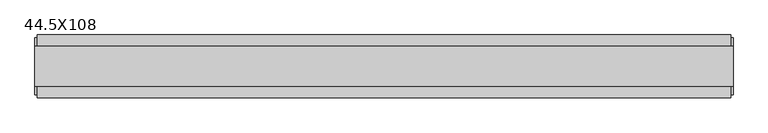
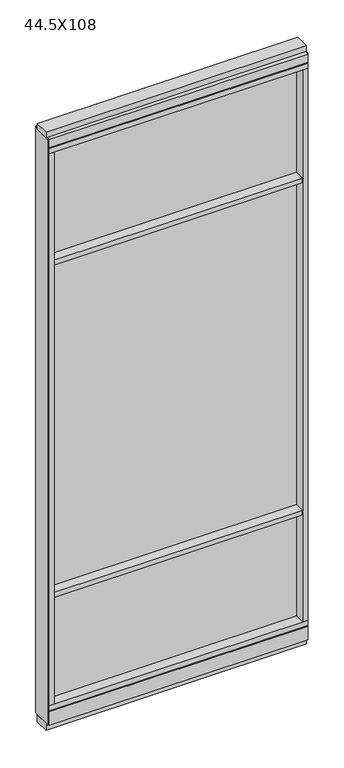
"""IFC4 building model written with IfcOpenShell, lengths in millimetres: furniture geometry, 44.5X108."""

from ifc_helpers import new_model, si_unit, frame, origin, origin_with_axes, place, context, project, spatial, polyline, outline, extrude, source, transform, mapped, element, save


def furniture_44_5x108_1f03fba5(model_context):
    return source(origin(), model_context, "Body", "SweptSolid", [
        extrude(outline(polyline([(-599.0245229, 0.5622784), (478.9514771, 0.5622784), (478.9514771, -9.5977216), (-599.0245229, -9.5977216), (-599.0245229, 0.5622784)])), frame((0.0, 0.0, 2155.825), z_axis=(0.0, 0.0, 1.0), x_axis=(1.0, 0.0, 0.0)), (0.0, 0.0, 1.0), 498.475),
        extrude(outline(polyline([(-599.0245229, 0.5622784), (478.9514771, 0.5622784), (478.9514771, -9.5977216), (-599.0245229, -9.5977216), (-599.0245229, 0.5622784)])), frame((0.0, 0.0, 631.825), z_axis=(0.0, 0.0, 1.0), x_axis=(1.0, 0.0, 0.0)), (0.0, 0.0, 1.0), 1501.775),
        extrude(outline(polyline([(-599.0245229, -52.3332216), (-599.0245229, 43.2977784), (478.9514771, 43.2977784), (478.9514771, -52.3332216), (-599.0245229, -52.3332216)])), frame((0.0, 0.0, 2133.6), z_axis=(0.0, 0.0, 1.0), x_axis=(1.0, 0.0, 0.0)), (0.0, 0.0, 1.0), 22.225),
        extrude(outline(polyline([(-599.0245229, -52.3332216), (-599.0245229, 43.2977784), (478.9514771, 43.2977784), (478.9514771, -52.3332216), (-599.0245229, -52.3332216)])), frame((0.0, 0.0, 609.6), z_axis=(0.0, 0.0, 1.0), x_axis=(1.0, 0.0, 0.0)), (0.0, 0.0, 1.0), 22.225),
        extrude(outline(polyline([(478.9514771, -9.5977216), (-599.0245229, -9.5977216), (-599.0245229, 0.5622784), (478.9514771, 0.5622784), (478.9514771, -9.5977216)])), frame((0.0, 0.0, 120.523), z_axis=(0.0, 0.0, 1.0), x_axis=(1.0, 0.0, 0.0)), (0.0, 0.0, 1.0), 489.077),
        extrude(outline(polyline([(-55.3177216, 93.345), (-50.3647216, 93.345), (-50.3647216, 98.298), (41.3292784, 98.298), (41.3292784, 93.345), (46.2822784, 93.345), (46.2822784, 31.75), (-55.3177216, 31.75), (-55.3177216, 93.345)])), frame((-621.2495229, 0.0, 0.0), z_axis=(1.0, 0.0, 0.0), x_axis=(0.0, 1.0, 0.0)), (0.0, 0.0, 1.0), 1122.426),
        extrude(outline(polyline([(-621.2495229, -55.3177216), (-621.2495229, 46.2822784), (501.1764771, 46.2822784), (501.1764771, -55.3177216), (-621.2495229, -55.3177216)])), frame((0.0, 0.0, 98.298), z_axis=(0.0, 0.0, 1.0), x_axis=(1.0, 0.0, 0.0)), (0.0, 0.0, 1.0), 22.225),
        extrude(outline(polyline([(505.1134771, 27.9942784), (505.1134771, -37.0297216), (-625.1865229, -37.0297216), (-625.1865229, 27.9942784), (505.1134771, 27.9942784)])), origin_with_axes(), (0.0, 0.0, 1.0), 31.75),
        extrude(outline(polyline([(-625.1865229, -37.0297216), (-625.1865229, 27.9942784), (505.1134771, 27.9942784), (505.1134771, -37.0297216), (-625.1865229, -37.0297216)])), frame((0.0, 0.0, 2717.8), z_axis=(0.0, 0.0, 1.0), x_axis=(1.0, 0.0, 0.0)), (0.0, 0.0, 1.0), 25.4),
        extrude(outline(polyline([(-55.3177216, 2681.478), (-55.3177216, 2717.8), (46.2822784, 2717.8), (46.2822784, 2681.478), (41.3292784, 2681.478), (41.3292784, 2676.525), (-50.3647216, 2676.525), (-50.3647216, 2681.478), (-55.3177216, 2681.478)])), frame((-621.2495229, 0.0, 0.0), z_axis=(1.0, 0.0, 0.0), x_axis=(0.0, 1.0, 0.0)), (0.0, 0.0, 1.0), 1122.426),
        extrude(outline(polyline([(501.1764771, 46.2822784), (501.1764771, -55.3177216), (-621.2495229, -55.3177216), (-621.2495229, 46.2822784), (501.1764771, 46.2822784)])), frame((0.0, 0.0, 2654.3), z_axis=(0.0, 0.0, 1.0), x_axis=(1.0, 0.0, 0.0)), (0.0, 0.0, 1.0), 22.225),
        extrude(outline(polyline([(478.9514771, -55.3177216), (478.9514771, 46.2822784), (501.1764771, 46.2822784), (501.1764771, -55.3177216), (478.9514771, -55.3177216)])), frame((0.0, 0.0, 120.523), z_axis=(0.0, 0.0, 1.0), x_axis=(1.0, 0.0, 0.0)), (0.0, 0.0, 1.0), 2533.777),
        extrude(outline(polyline([(-599.0245229, -55.3177216), (-621.2495229, -55.3177216), (-621.2495229, 46.2822784), (-599.0245229, 46.2822784), (-599.0245229, -55.3177216)])), frame((0.0, 0.0, 120.523), z_axis=(0.0, 0.0, 1.0), x_axis=(1.0, 0.0, 0.0)), (0.0, 0.0, 1.0), 2533.777),
        extrude(outline(polyline([(505.1134771, -50.3647216), (501.1764771, -50.3647216), (501.1764771, 41.3292784), (505.1134771, 41.3292784), (505.1134771, -50.3647216)])), frame((0.0, 0.0, 31.75), z_axis=(0.0, 0.0, 1.0), x_axis=(1.0, 0.0, 0.0)), (0.0, 0.0, 1.0), 2686.05),
        extrude(outline(polyline([(-625.1865229, -50.3647216), (-625.1865229, 41.3292784), (-621.2495229, 41.3292784), (-621.2495229, -50.3647216), (-625.1865229, -50.3647216)])), frame((0.0, 0.0, 31.75), z_axis=(0.0, 0.0, 1.0), x_axis=(1.0, 0.0, 0.0)), (0.0, 0.0, 1.0), 2686.05),
    ])


if __name__ == "__main__":
    model = new_model("IFC4")
    model_context = context("Model", 3, world=origin())
    ifc_project = project(units=[si_unit("LENGTHUNIT", "METRE", prefix="MILLI")], contexts=[model_context])
    site = spatial("IfcSite", under=ifc_project)
    building = spatial("IfcBuilding", under=site)
    placement = place(None, origin())
    furniture_44_5x108_shape = furniture_44_5x108_1f03fba5(model_context)
    element("IfcFurniture", 1, ObjectType="44.5X108", at=placement, inside=building, context=model_context, shape_type="MappedRepresentation", body=[
        mapped(furniture_44_5x108_shape, transform((0.0, 0.0, 0.0), x_axis=(1.0, 0.0, 0.0), y_axis=(0.0, 1.0, 0.0), z_axis=(0.0, 0.0, 1.0))),
    ])
    save(model, "model.ifc")
